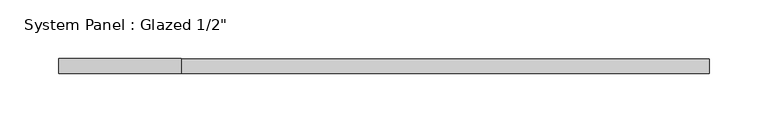
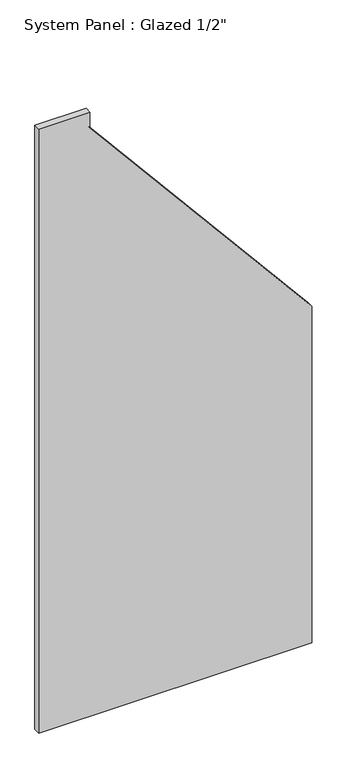
"""IFC4 building model written with IfcOpenShell, lengths in millimetres: plate geometry."""

from ifc_helpers import new_model, si_unit, frame, origin, place, context, project, spatial, polyline, outline, extrude, source, transform, mapped, element, save


def plate_131396bf(model_context):
    return source(origin(), model_context, "Body", "SweptSolid", [
        extrude(outline(polyline([(0.0, -276.03739), (0.0, 276.03739), (718.002376, 276.03739), (1256.794598, -172.264837), (1290.1649297, -172.264837), (1290.1649297, -276.03739), (0.0, -276.03739)])), frame((0.0, -6.35, 0.0), z_axis=(0.0, 1.0, 0.0), x_axis=(0.0, 0.0, 1.0)), (0.0, 0.0, 1.0), 12.7),
    ])


if __name__ == "__main__":
    model = new_model("IFC4")
    model_context = context("Model", 3, world=origin())
    ifc_project = project(units=[si_unit("LENGTHUNIT", "METRE", prefix="MILLI")], contexts=[model_context])
    site = spatial("IfcSite", under=ifc_project)
    building = spatial("IfcBuilding", under=site)
    placement = place(None, origin())
    plate_shape = plate_131396bf(model_context)
    element("IfcPlate", 1, ObjectType="System Panel : Glazed 1/2\"", at=placement, inside=building, context=model_context, shape_type="MappedRepresentation", body=[
        mapped(plate_shape, transform((0.0, 0.0, 0.0), x_axis=(1.0, 0.0, 0.0), y_axis=(0.0, 1.0, 0.0), z_axis=(0.0, 0.0, 1.0))),
    ])
    save(model, "model.ifc")
